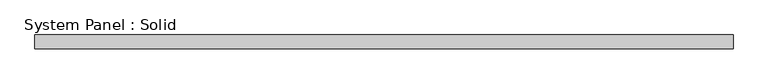
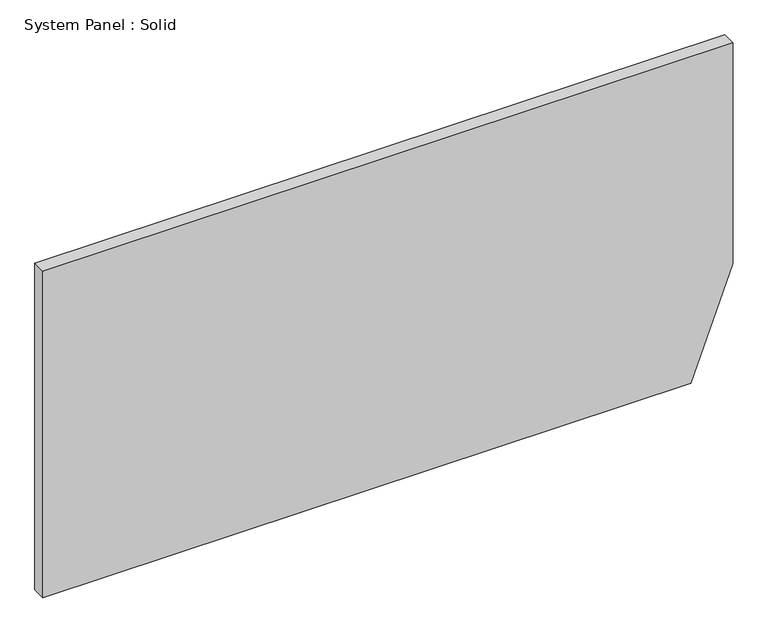
"""IFC4 building model written with IfcOpenShell, lengths in millimetres: plate geometry, System Panel : Solid."""

from ifc_helpers import new_model, si_unit, frame, origin, place, context, project, spatial, polyline, outline, extrude, source, transform, mapped, element, save


def system_panel_solid_dca6152d(model_context):
    return source(origin(), model_context, "Body", "SweptSolid", [
        extrude(outline(polyline([(0.0, -1500.0), (0.0, 1317.3647319), (484.8089108, 1500.0), (1500.0, 1500.0), (1500.0, -1500.0), (0.0, -1500.0)])), frame((0.0, -10.5, 0.0), z_axis=(0.0, 1.0, 0.0), x_axis=(0.0, 0.0, 1.0)), (0.0, 0.0, 1.0), 60.0),
    ])


if __name__ == "__main__":
    model = new_model("IFC4")
    model_context = context("Model", 3, world=origin())
    ifc_project = project(units=[si_unit("LENGTHUNIT", "METRE", prefix="MILLI")], contexts=[model_context])
    site = spatial("IfcSite", under=ifc_project)
    building = spatial("IfcBuilding", under=site)
    placement = place(None, origin())
    system_panel_solid_shape = system_panel_solid_dca6152d(model_context)
    element("IfcPlate", 1, ObjectType="System Panel : Solid", at=placement, inside=building, context=model_context, shape_type="MappedRepresentation", body=[
        mapped(system_panel_solid_shape, transform((0.0, 0.0, 0.0), x_axis=(1.0, 0.0, 0.0), y_axis=(0.0, 1.0, 0.0), z_axis=(0.0, 0.0, 1.0))),
    ])
    save(model, "model.ifc")
